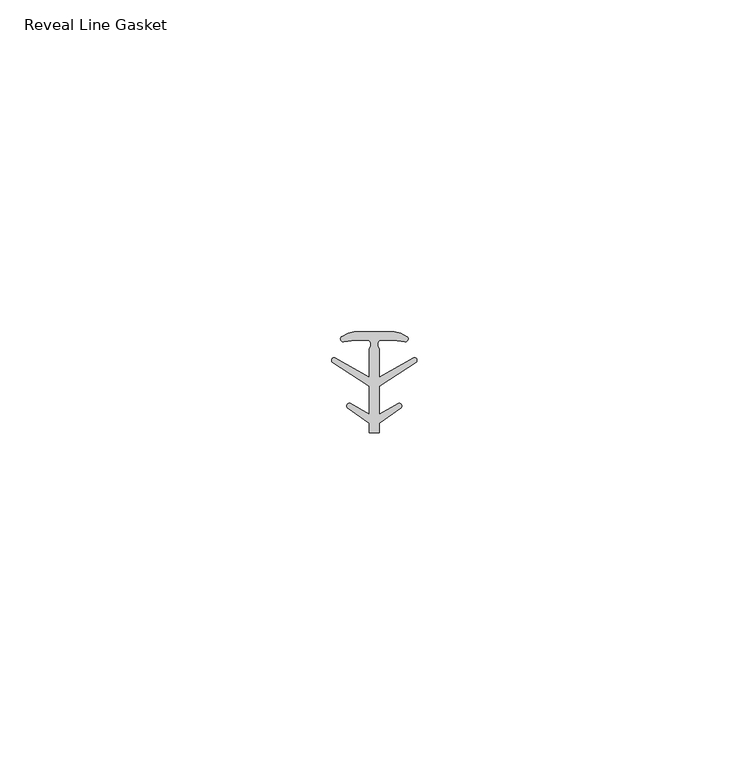
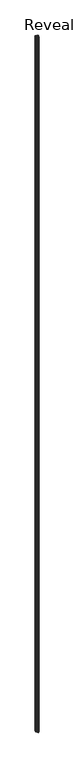
"""IFC4 building model written with IfcOpenShell, lengths in millimetres: proxy geometry, Reveal Line Gasket."""

from ifc_helpers import new_model, si_unit, point, frame, frame_2d, origin, place, context, project, spatial, polyline, circle_curve, trimmed, segment, composite_curve, outline, extrude, source, transform, mapped, element, save


def reveal_line_gasket_36a81ed5(model_context):
    return source(origin(), model_context, "Body", "SweptSolid", [
        extrude(outline(composite_curve([segment(polyline([(2.999107, 7.6326998), (3.9545998, 7.4091917), (4.8875754, 6.8813059)]), True, "CONTINUOUS"), segment(trimmed(circle_curve(frame_2d((4.6855864, 6.5243141)), 0.4101739), [point((4.8875754, 6.8813059))], [point((4.5932418, 6.1246704))], False, "CARTESIAN"), True, "CONTINUOUS"), segment(polyline([(4.5932418, 6.1246704), (2.8970156, 6.3626997), (0.8645598, 6.3626997)]), True, "CONTINUOUS"), segment(trimmed(circle_curve(frame_2d((1.2810328, 5.6959605)), 0.786124), [point((0.8645598, 6.3626997))], [point((0.7769821, 5.0926996))], True, "CARTESIAN"), True, "CONTINUOUS"), segment(polyline([(0.7769821, 5.0926996), (0.7769821, 0.7492996), (5.9386365, 3.7293824)]), True, "CONTINUOUS"), segment(trimmed(circle_curve(frame_2d((6.0040832, 3.3132479)), 0.4212495), [point((5.9386365, 3.7293824))], [point((6.3317429, 3.0485022))], False, "CARTESIAN"), True, "CONTINUOUS"), segment(polyline([(6.3317429, 3.0485022), (0.7769821, -0.5742594), (0.7769821, -4.8262978), (3.6526367, -3.1660374)]), True, "CONTINUOUS"), segment(trimmed(circle_curve(frame_2d((3.7109925, -3.5978728)), 0.4357605), [point((3.6526367, -3.1660374))], [point((4.0557951, -3.864328))], False, "CARTESIAN"), True, "CONTINUOUS"), segment(polyline([(4.0557951, -3.864328), (0.7769821, -6.1944059), (0.7769821, -7.6326998), (-0.778768, -7.6326998), (-0.778768, -6.1944059), (-4.0575811, -3.864328)]), True, "CONTINUOUS"), segment(trimmed(circle_curve(frame_2d((-3.7127785, -3.5978728)), 0.4357605), [point((-4.0575811, -3.864328))], [point((-3.6544226, -3.1660374))], False, "CARTESIAN"), True, "CONTINUOUS"), segment(polyline([(-3.6544226, -3.1660374), (-0.778768, -4.8262978), (-0.778768, -0.5742594), (-6.3335288, 3.0485022)]), True, "CONTINUOUS"), segment(trimmed(circle_curve(frame_2d((-6.0058691, 3.3132479)), 0.4212495), [point((-6.3335288, 3.0485022))], [point((-5.9404224, 3.7293824))], False, "CARTESIAN"), True, "CONTINUOUS"), segment(polyline([(-5.9404224, 3.7293824), (-0.778768, 0.7492996), (-0.778768, 5.0926996)]), True, "CONTINUOUS"), segment(trimmed(circle_curve(frame_2d((-1.2828188, 5.6959605)), 0.786124), [point((-0.778768, 5.0926996))], [point((-0.8663457, 6.3626997))], True, "CARTESIAN"), True, "CONTINUOUS"), segment(polyline([(-0.8663457, 6.3626997), (-2.8988015, 6.3626997), (-4.5950277, 6.1246704)]), True, "CONTINUOUS"), segment(trimmed(circle_curve(frame_2d((-4.6873723, 6.5243141)), 0.4101739), [point((-4.5950277, 6.1246704))], [point((-4.8893614, 6.8813059))], False, "CARTESIAN"), True, "CONTINUOUS"), segment(polyline([(-4.8893614, 6.8813059), (-3.9563857, 7.4091917), (-3.000893, 7.6326998), (2.999107, 7.6326998)]), True, "CONTINUOUS")], self_intersect=False)), frame((0.0, 0.0, 84.836), z_axis=(0.0, 0.0, 1.0), x_axis=(1.0, 0.0, 0.0)), (0.0, 0.0, 1.0), 2954.0139223),
    ])


if __name__ == "__main__":
    model = new_model("IFC4")
    model_context = context("Model", 3, world=origin())
    ifc_project = project(units=[si_unit("LENGTHUNIT", "METRE", prefix="MILLI")], contexts=[model_context])
    site = spatial("IfcSite", under=ifc_project)
    building = spatial("IfcBuilding", under=site)
    placement = place(None, origin())
    reveal_line_gasket_shape = reveal_line_gasket_36a81ed5(model_context)
    element("IfcBuildingElementProxy", 1, Name="Reveal Line Gasket", ObjectType="Reveal Line Gasket", at=placement, inside=building, context=model_context, shape_type="MappedRepresentation", body=[
        mapped(reveal_line_gasket_shape, transform((0.0, 0.0, 0.0), x_axis=(1.0, 0.0, 0.0), y_axis=(0.0, 1.0, 0.0), z_axis=(0.0, 0.0, 1.0))),
    ])
    save(model, "model.ifc")
